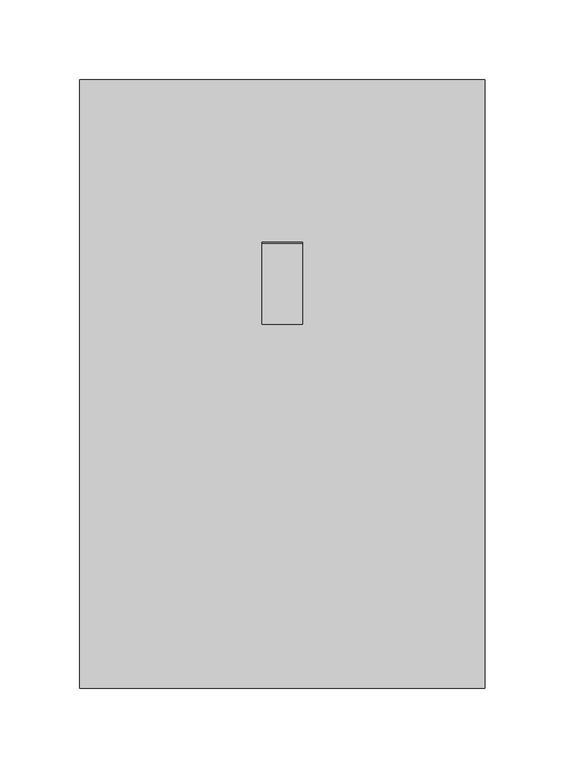
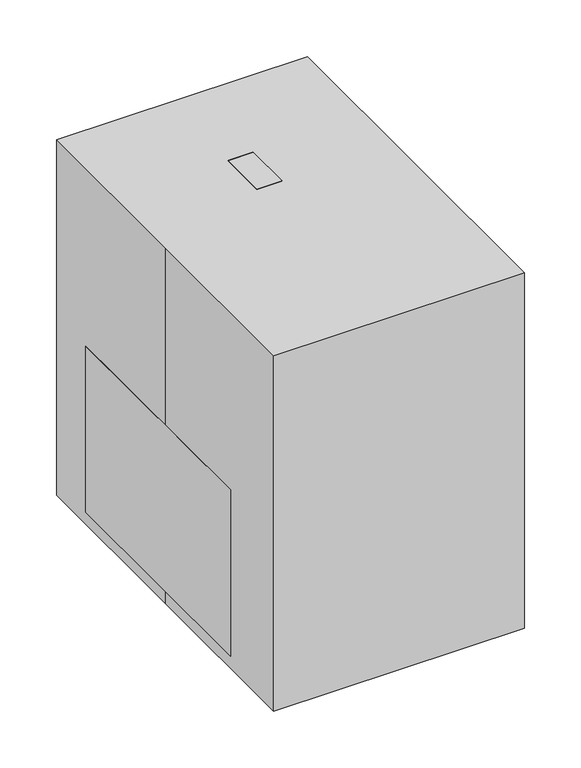
"""IFC4 building model written with IfcOpenShell, lengths in millimetres: proxy geometry."""

from ifc_helpers import new_model, si_unit, point, frame, frame_2d, origin, origin_with_axes, place, context, project, spatial, polyline, circle_curve, trimmed, segment, composite_curve, outline, extrude, source, transform, mapped, element, save


def specialty_equipment_1b2e37dd(model_context):
    return source(origin(), model_context, "Body", "SweptSolid", [
        extrude(outline(composite_curve([segment(trimmed(circle_curve(frame_2d((0.0, 49.2265622)), 6.35), [point((-6.35, 49.2265622))], [point((6.35, 49.2265622))], False, "CARTESIAN"), True, "CONTINUOUS"), segment(trimmed(circle_curve(frame_2d((0.0, 49.2265622)), 6.35), [point((6.35, 49.2265622))], [point((-6.35, 49.2265622))], False, "CARTESIAN"), True, "CONTINUOUS")], self_intersect=False)), frame((0.0, 0.0, 330.2), z_axis=(0.0, 0.0, 1.0), x_axis=(1.0, 0.0, 0.0)), (0.0, 0.0, 1.0), 12.7),
        extrude(outline(polyline([(-50.8, 165.1), (50.8, 165.1), (101.6, 114.3), (101.6, -88.9), (50.8, -139.7), (-50.8, -139.7), (-101.6, -88.9), (-101.6, 114.3), (-50.8, 165.1)])), frame((0.0, 0.0, 216.0993593), z_axis=(0.0, 0.0, 1.0), x_axis=(1.0, 0.0, 0.0)), (0.0, 0.0, 1.0), 38.1),
        extrude(outline(polyline([(63.0993824, 114.3), (63.0993824, -88.9), (-63.9006176, -88.9), (-63.9006176, 114.3), (63.0993824, 114.3)])), frame((0.0, 0.0, 190.6993593), z_axis=(0.0, 0.0, 1.0), x_axis=(1.0, 0.0, 0.0)), (0.0, 0.0, 1.0), 25.4),
        extrude(outline(polyline([(165.1, 336.55), (165.1, 254.1993593), (129.6848212, 254.1993593), (129.6848212, 315.2307888), (81.7603416, 342.9), (37.3103416, 342.9), (37.3103416, 381.0), (88.1103416, 381.0), (165.1, 336.55)])), frame((-12.7, 0.0, 0.0), z_axis=(1.0, 0.0, 0.0), x_axis=(0.0, 1.0, 0.0)), (0.0, 0.0, 1.0), 25.4),
        extrude(outline(polyline([(11.9600026, -165.1), (11.9600026, -177.8), (-13.4399974, -177.8), (-13.4399974, -165.1), (11.9600026, -165.1)])), frame((0.0, 0.0, 50.8), z_axis=(0.0, 0.0, 1.0), x_axis=(1.0, 0.0, 0.0)), (0.0, 0.0, 1.0), 25.4),
        extrude(outline(polyline([(-76.2, 190.5), (76.2, 190.5), (127.0, 139.7), (127.0, -114.3), (76.2, -165.1), (-76.2, -165.1), (-127.0, -114.3), (-127.0, 139.7), (-76.2, 190.5)])), frame((0.0, 0.0, 12.7), z_axis=(0.0, 0.0, 1.0), x_axis=(1.0, 0.0, 0.0)), (0.0, 0.0, 1.0), 177.9993593),
        extrude(outline(composite_curve([segment(trimmed(circle_curve(frame_2d((-86.1473865, -109.672187)), 12.7), [point((-73.4473865, -109.672187))], [point((-98.8473865, -109.672187))], False, "CARTESIAN"), True, "CONTINUOUS"), segment(trimmed(circle_curve(frame_2d((-86.1473865, -109.672187)), 12.7), [point((-98.8473865, -109.672187))], [point((-73.4473865, -109.672187))], False, "CARTESIAN"), True, "CONTINUOUS")], self_intersect=False)), origin_with_axes(), (0.0, 0.0, 1.0), 12.7),
        extrude(outline(composite_curve([segment(trimmed(circle_curve(frame_2d((86.1473865, -109.672187)), 12.7), [point((73.4473865, -109.672187))], [point((98.8473865, -109.672187))], False, "CARTESIAN"), True, "CONTINUOUS"), segment(trimmed(circle_curve(frame_2d((86.1473865, -109.672187)), 12.7), [point((98.8473865, -109.672187))], [point((73.4473865, -109.672187))], False, "CARTESIAN"), True, "CONTINUOUS")], self_intersect=False)), origin_with_axes(), (0.0, 0.0, 1.0), 12.7),
        extrude(outline(composite_curve([segment(trimmed(circle_curve(frame_2d((-86.1473865, 137.977813)), 12.7), [point((-73.4473865, 137.977813))], [point((-98.8473865, 137.977813))], False, "CARTESIAN"), True, "CONTINUOUS"), segment(trimmed(circle_curve(frame_2d((-86.1473865, 137.977813)), 12.7), [point((-98.8473865, 137.977813))], [point((-73.4473865, 137.977813))], False, "CARTESIAN"), True, "CONTINUOUS")], self_intersect=False)), origin_with_axes(), (0.0, 0.0, 1.0), 12.7),
        extrude(outline(composite_curve([segment(trimmed(circle_curve(frame_2d((86.1473865, 137.977813)), 12.7), [point((73.4473865, 137.977813))], [point((98.8473865, 137.977813))], False, "CARTESIAN"), True, "CONTINUOUS"), segment(trimmed(circle_curve(frame_2d((86.1473865, 137.977813)), 12.7), [point((98.8473865, 137.977813))], [point((73.4473865, 137.977813))], False, "CARTESIAN"), True, "CONTINUOUS")], self_intersect=False)), origin_with_axes(), (0.0, 0.0, 1.0), 12.7),
        extrude(outline(polyline([(-127.0, 190.5), (127.0, 190.5), (127.0, -190.5), (-127.0, -190.5), (-127.0, 0.0), (-127.0, 190.5)])), origin_with_axes(), (0.0, 0.0, 1.0), 381.0),
    ])


if __name__ == "__main__":
    model = new_model("IFC4")
    model_context = context("Model", 3, world=origin())
    ifc_project = project(units=[si_unit("LENGTHUNIT", "METRE", prefix="MILLI")], contexts=[model_context])
    site = spatial("IfcSite", under=ifc_project)
    building = spatial("IfcBuilding", under=site)
    placement = place(None, origin())
    specialty_equipment_shape = specialty_equipment_1b2e37dd(model_context)
    element("IfcBuildingElementProxy", 1, Name="Specialty Equipment", at=placement, inside=building, context=model_context, shape_type="MappedRepresentation", body=[
        mapped(specialty_equipment_shape, transform((0.0, 0.0, 0.0), x_axis=(1.0, 0.0, 0.0), y_axis=(0.0, 1.0, 0.0), z_axis=(0.0, 0.0, 1.0))),
    ])
    save(model, "model.ifc")
